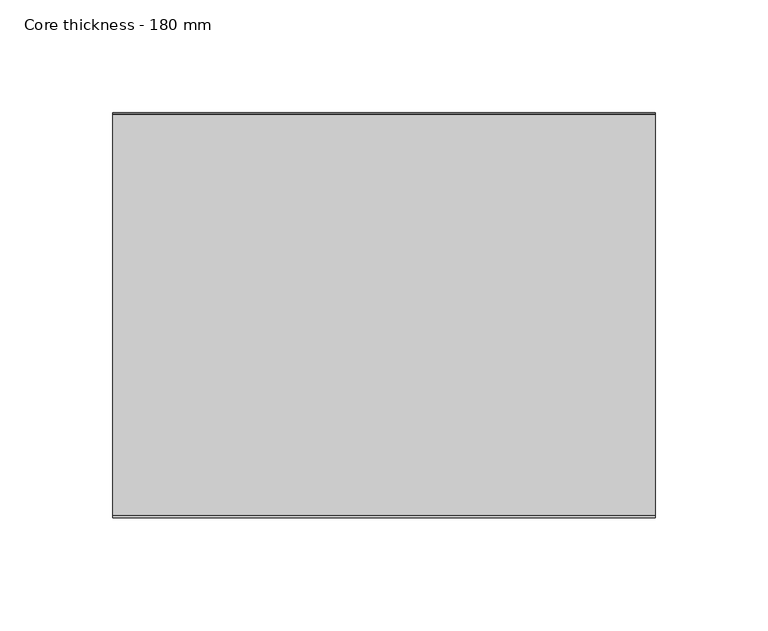
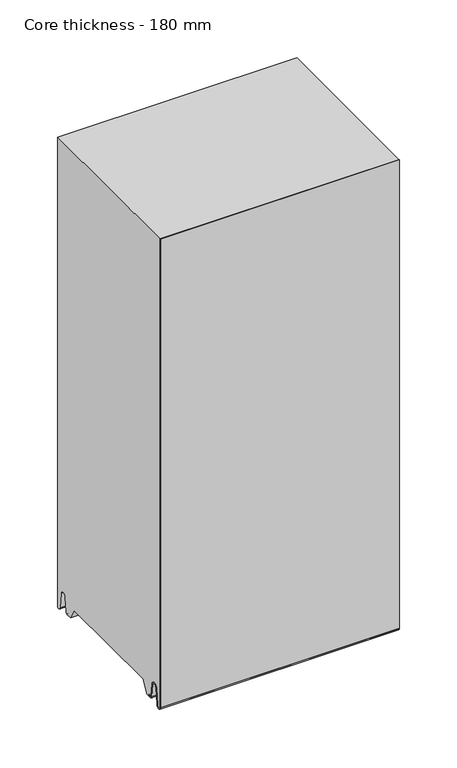
"""IFC4 building model written with IfcOpenShell, lengths in millimetres: plate geometry, Core thickness - 180 mm."""

from ifc_helpers import new_model, si_unit, frame, origin, place, context, project, spatial, polyline, circle_curve, source, transform, mapped, element, save
from ifc_brep_helpers import plane_surface, cylinder_surface, revolved_surface, advanced_brep


def core_thickness_180_mm_cb9e352f(model_context):
    return source(origin(), model_context, "Body", "AdvancedBrep", [
        advanced_brep(
        [(119.9999998, -179.9996949, 3.0900682), (119.9999998, -173.81449, 2.7875612), (119.9999998, -172.197116, 19.2828169), (119.9999998, -169.1776715, 21.9898782), (119.9999998, -166.1582271, 19.2828169), (119.9999998, -164.7725998, 5.1510966), (119.9999998, -160.3830995, 5.365779), (119.9999998, -161.1830995, 5.365779), (119.9999998, -163.9764178, 5.2291629), (119.9999998, -165.3620451, 19.3608832), (119.9999998, -169.1776715, 22.7899182), (119.9999998, -172.9932979, 19.3608832), (119.9999998, -174.6106719, 2.8656275), (119.9999998, -179.1996949, 3.0900682), (119.9999998, -179.2, 500.0), (119.9999998, -179.9996949, 500.0), (-119.9999998, -179.1996949, 3.0900682), (-119.9999998, -174.6106719, 2.8656275), (-119.9999998, -172.9932979, 19.3608832), (-119.9999998, -169.1776715, 22.7899182), (-119.9999998, -165.3620451, 19.3608832), (-119.9999998, -163.9764178, 5.2291629), (-119.9999998, -161.1830995, 5.365779), (-119.9999998, -160.3830995, 5.365779), (-119.9999998, -164.7725998, 5.1510966), (-119.9999998, -166.1582271, 19.2828169), (-119.9999998, -169.1776715, 21.9898782), (-119.9999998, -172.197116, 19.2828169), (-119.9999998, -173.81449, 2.7875612), (-119.9999998, -179.9996949, 3.0900682), (-119.9999998, -179.9996949, 500.0), (-119.9999998, -179.2, 500.0)],
        [
            (0, 1, circle_curve(frame((119.9999998, -176.8996949, 3.0900682), z_axis=(1.0, 0.0, 0.0), x_axis=(0.0, 0.0, -1.0)), 3.1)),
            (1, 2),
            (2, 3, circle_curve(frame((119.9999998, -169.2114338, 18.9900682), z_axis=(-1.0, 0.0, 0.0), x_axis=(0.0, 0.0, -1.0)), 3.0)),
            (3, 4, circle_curve(frame((119.9999998, -169.1439093, 18.9900682), z_axis=(-1.0, 0.0, 0.0), x_axis=(0.0, 0.0, -1.0)), 3.0)),
            (4, 5),
            (5, 6, circle_curve(frame((119.9999998, -162.5830995, 5.365779), z_axis=(1.0, 0.0, 0.0), x_axis=(0.0, 0.0, -1.0)), 2.2)),
            (6, 7),
            (7, 8, circle_curve(frame((119.9999998, -162.5830995, 5.365779), z_axis=(-1.0, 0.0, 0.0), x_axis=(0.0, 0.0, -1.0)), 1.4)),
            (8, 9),
            (9, 10, circle_curve(frame((119.9999998, -169.1439093, 18.9900682), z_axis=(1.0, 0.0, 0.0), x_axis=(0.0, 0.0, -1.0)), 3.8)),
            (10, 11, circle_curve(frame((119.9999998, -169.2114338, 18.9900682), z_axis=(1.0, 0.0, 0.0), x_axis=(0.0, 0.0, -1.0)), 3.8)),
            (11, 12),
            (12, 13, circle_curve(frame((119.9999998, -176.8996949, 3.0900682), z_axis=(-1.0, 0.0, 0.0), x_axis=(0.0, 0.0, -1.0)), 2.3)),
            (13, 14),
            (14, 15),
            (15, 0),
            (16, 17, circle_curve(frame((-119.9999998, -176.8996949, 3.0900682), z_axis=(1.0, 0.0, 0.0), x_axis=(0.0, 0.0, -1.0)), 2.3)),
            (17, 18),
            (18, 19, circle_curve(frame((-119.9999998, -169.2114338, 18.9900682), z_axis=(-1.0, 0.0, 0.0), x_axis=(0.0, 0.0, -1.0)), 3.8)),
            (19, 20, circle_curve(frame((-119.9999998, -169.1439093, 18.9900682), z_axis=(-1.0, 0.0, 0.0), x_axis=(0.0, 0.0, -1.0)), 3.8)),
            (20, 21),
            (21, 22, circle_curve(frame((-119.9999998, -162.5830995, 5.365779), z_axis=(1.0, 0.0, 0.0), x_axis=(0.0, 0.0, -1.0)), 1.4)),
            (22, 23),
            (23, 24, circle_curve(frame((-119.9999998, -162.5830995, 5.365779), z_axis=(-1.0, 0.0, 0.0), x_axis=(0.0, 0.0, -1.0)), 2.2)),
            (24, 25),
            (25, 26, circle_curve(frame((-119.9999998, -169.1439093, 18.9900682), z_axis=(1.0, 0.0, 0.0), x_axis=(0.0, 0.0, -1.0)), 3.0)),
            (26, 27, circle_curve(frame((-119.9999998, -169.2114338, 18.9900682), z_axis=(1.0, 0.0, 0.0), x_axis=(0.0, 0.0, -1.0)), 3.0)),
            (27, 28),
            (28, 29, circle_curve(frame((-119.9999998, -176.8996949, 3.0900682), z_axis=(-1.0, 0.0, 0.0), x_axis=(0.0, 0.0, -1.0)), 3.1)),
            (29, 30),
            (30, 31),
            (31, 16),
            (13, 16),
            (31, 14),
            (12, 17),
            (11, 18),
            (10, 19),
            (9, 20),
            (8, 21),
            (7, 22),
            (6, 23),
            (5, 24),
            (4, 25),
            (3, 26),
            (2, 27),
            (1, 28),
            (0, 29),
            (15, 30),
        ],
        [
            plane_surface(frame((119.9999998, -180.0, 0.0), z_axis=(1.0, 0.0, 0.0), x_axis=(0.0, 1.0, 0.0))),
            plane_surface(frame((-119.9999998, -180.0, 0.0), z_axis=(-1.0, 0.0, 0.0), x_axis=(0.0, 1.0, 0.0))),
            plane_surface(frame((119.9999998, -179.2, 3.0900682), z_axis=(0.0, 1.0, 0.0), x_axis=(-1.0, 0.0, 0.0))),
            revolved_surface(polyline([(-119.9999998, -176.8996949, 0.7900682000000003), (119.9999998, -176.8996949, 0.7900682000000003)]), (119.9999998, -176.8996949, 3.0900682), (-1.0, 0.0, 0.0)),
            plane_surface(frame((119.9999998, -172.9932979, 19.3608832), z_axis=(0.0, -0.9952273999818314, 0.09758289975914787), x_axis=(-1.0, 0.0, 0.0))),
            cylinder_surface(frame((119.9999998, -169.2114338, 18.9900682), z_axis=(1.0, 0.0, 0.0), x_axis=(0.0, 0.0, -1.0)), 3.8),
            cylinder_surface(frame((119.9999998, -169.1439093, 18.9900682), z_axis=(1.0, 0.0, 0.0), x_axis=(0.0, 0.0, -1.0)), 3.8),
            plane_surface(frame((119.9999998, -163.9764178, 5.2291629), z_axis=(0.0, 0.9952273999818297, 0.09758289975916531), x_axis=(-1.0, 0.0, 0.0))),
            revolved_surface(polyline([(-119.9999998, -162.5830995, 3.965779), (119.9999998, -162.5830995, 3.965779)]), (119.9999998, -162.5830995, 5.365779), (-1.0, 0.0, 0.0)),
            plane_surface(frame((119.9999998, -160.3830995, 5.365779), z_axis=(0.0, 0.0, 1.0), x_axis=(-1.0, 0.0, 0.0))),
            cylinder_surface(frame((119.9999998, -162.5830995, 5.365779), z_axis=(1.0, 0.0, 0.0), x_axis=(0.0, 0.0, -1.0)), 2.2),
            plane_surface(frame((119.9999998, -166.1582271, 19.2828169), z_axis=(0.0, -0.9952273999818296, -0.09758289975916527), x_axis=(-1.0, 0.0, 0.0))),
            revolved_surface(polyline([(-119.9999998, -169.1439093, 15.9900682), (119.9999998, -169.1439093, 15.9900682)]), (119.9999998, -169.1439093, 18.9900682), (-1.0, 0.0, 0.0)),
            revolved_surface(polyline([(-119.9999998, -169.2114338, 15.9900682), (119.9999998, -169.2114338, 15.9900682)]), (119.9999998, -169.2114338, 18.9900682), (-1.0, 0.0, 0.0)),
            plane_surface(frame((119.9999998, -173.81449, 2.7875612), z_axis=(0.0, 0.9952273999818314, -0.09758289975914787), x_axis=(-1.0, 0.0, 0.0))),
            cylinder_surface(frame((119.9999998, -176.8996949, 3.0900682), z_axis=(1.0, 0.0, 0.0), x_axis=(0.0, 0.0, -1.0)), 3.1),
            plane_surface(frame((119.9999998, -179.9996949, 993.9000005), z_axis=(0.0, -1.0, 0.0), x_axis=(-1.0, 0.0, 0.0))),
            plane_surface(frame((-119.9999998, 134.0533409, 500.0), z_axis=(0.0, 0.0, 1.0), x_axis=(1.0, 0.0, 0.0))),
        ],
        [
            (0, [[1, 2, 3, 4, 5, 6, 7, 8, 9, 10, 11, 12, 13, 14, 15, 16]]),
            (1, [[17, 18, 19, 20, 21, 22, 23, 24, 25, 26, 27, 28, 29, 30, 31, 32]]),
            (2, [[33, -32, 34, -14]]),
            (3, [[-13, 35, -17, -33]]),
            (4, [[-12, 36, -18, -35]]),
            (5, [[-11, 37, -19, -36]]),
            (6, [[-10, 38, -20, -37]]),
            (7, [[-9, 39, -21, -38]]),
            (8, [[-8, 40, -22, -39]]),
            (9, [[-7, 41, -23, -40]]),
            (10, [[-6, 42, -24, -41]]),
            (11, [[-5, 43, -25, -42]]),
            (12, [[-4, 44, -26, -43]]),
            (13, [[-3, 45, -27, -44]]),
            (14, [[-2, 46, -28, -45]]),
            (15, [[-1, 47, -29, -46]]),
            (16, [[-47, -16, 48, -30]]),
            (17, [[-15, -34, -31, -48]]),
        ],
    ),
        advanced_brep(
        [(119.9999998, -149.873448, 15.1417681), (119.9999998, -30.126552, 15.1417681), (119.9999998, -23.4071318, 3.165779), (119.9999998, -17.4169005, 3.165779), (119.9999998, -19.6169005, 5.365779), (119.9999998, -18.8169005, 5.365779), (119.9999998, -16.0235822, 5.2291629), (119.9999998, -14.6379549, 19.3608832), (119.9999998, -10.8223285, 22.7899182), (119.9999998, -7.0067021, 19.3608832), (119.9999998, -5.3893281, 2.8656275), (119.9999998, -0.8003051, 3.0900682), (119.9999998, -0.8, 49.9459237), (119.9999998, -1.0986697, 50.9973395), (119.9999998, -1.5003051, 52.4177205), (119.9999998, -1.5003051, 102.5775037), (119.9999998, -1.0971009, 103.9969151), (119.9999998, -0.8, 105.0493005), (119.9999998, -0.8, 155.2090837), (119.9999998, -1.0986697, 156.2604995), (119.9999998, -1.5003051, 157.6808805), (119.9999998, -1.5003051, 207.8406637), (119.9999998, -1.0971009, 209.2600751), (119.9999998, -0.8, 210.3124605), (119.9999998, -0.8, 260.4722437), (119.9999998, -1.0986697, 261.5236595), (119.9999998, -1.5003051, 262.9440405), (119.9999998, -1.5003051, 313.1038237), (119.9999998, -1.0971009, 314.5232351), (119.9999998, -0.8, 315.5756205), (119.9999998, -0.8, 365.7354037), (119.9999998, -1.0986697, 366.7868195), (119.9999998, -1.5003051, 368.2072005), (119.9999998, -1.5003051, 418.3669837), (119.9999998, -1.0971009, 419.7863951), (119.9999998, -0.8, 420.8387805), (119.9999998, -0.8, 470.9985637), (119.9999998, -1.0986697, 472.0499795), (119.9999998, -1.5003051, 473.4703605), (119.9999998, -1.5003051, 500.0), (119.9999998, -179.2, 500.0), (119.9999998, -179.2, 3.0900682), (119.9999998, -174.6106719, 2.8656275), (119.9999998, -172.9932979, 19.3608832), (119.9999998, -169.1776715, 22.7899182), (119.9999998, -165.3620451, 19.3608832), (119.9999998, -163.9764178, 5.2291629), (119.9999998, -161.1830995, 5.365779), (119.9999998, -160.3830995, 5.365779), (119.9999998, -162.5830995, 3.165779), (119.9999998, -156.5928682, 3.165779), (-119.9999998, -30.126552, 15.1417681), (-119.9999998, -149.873448, 15.1417681), (-119.9999998, -156.5928682, 3.165779), (-119.9999998, -162.5830995, 3.165779), (-119.9999998, -160.3830995, 5.365779), (-119.9999998, -161.1830995, 5.365779), (-119.9999998, -163.9764178, 5.2291629), (-119.9999998, -165.3620451, 19.3608832), (-119.9999998, -169.1776715, 22.7899182), (-119.9999998, -172.9932979, 19.3608832), (-119.9999998, -174.6106719, 2.8656275), (-119.9999998, -179.1996949, 3.0900682), (-119.9999998, -179.2, 500.0), (-119.9999998, -1.5003051, 500.0), (-119.9999998, -1.5003051, 473.4703605), (-119.9999998, -1.0971009, 472.0509491), (-119.9999998, -0.8, 470.9985637), (-119.9999998, -0.8, 420.8387805), (-119.9999998, -1.0986697, 419.7873646), (-119.9999998, -1.5003051, 418.3669837), (-119.9999998, -1.5003051, 368.2072005), (-119.9999998, -1.0971009, 366.7877891), (-119.9999998, -0.8, 365.7354037), (-119.9999998, -0.8, 315.5756205), (-119.9999998, -1.0986697, 314.5242046), (-119.9999998, -1.5003051, 313.1038237), (-119.9999998, -1.5003051, 262.9440405), (-119.9999998, -1.0971009, 261.5246291), (-119.9999998, -0.8, 260.4722437), (-119.9999998, -0.8, 210.3124605), (-119.9999998, -1.0986697, 209.2610446), (-119.9999998, -1.5003051, 207.8406637), (-119.9999998, -1.5003051, 157.6808805), (-119.9999998, -1.0971009, 156.2614691), (-119.9999998, -0.8, 155.2090837), (-119.9999998, -0.8, 105.0493005), (-119.9999998, -1.0986697, 103.9978846), (-119.9999998, -1.5003051, 102.5775037), (-119.9999998, -1.5003051, 52.4177205), (-119.9999998, -1.0971009, 50.9983091), (-119.9999998, -0.8, 49.9459237), (-119.9999998, -0.8, 3.0900682), (-119.9999998, -5.3893281, 2.8656275), (-119.9999998, -7.0067021, 19.3608832), (-119.9999998, -10.8223285, 22.7899182), (-119.9999998, -14.6379549, 19.3608832), (-119.9999998, -16.0235822, 5.2291629), (-119.9999998, -18.8169005, 5.365779), (-119.9999998, -19.6169005, 5.365779), (-119.9999998, -17.4169005, 3.165779), (-119.9999998, -23.4071318, 3.165779)],
        [
            (0, 1),
            (1, 2),
            (2, 3),
            (3, 4, circle_curve(frame((119.9999998, -17.4169005, 5.365779), z_axis=(-1.0, 0.0, 0.0), x_axis=(0.0, 0.0, -1.0)), 2.2)),
            (4, 5),
            (5, 6, circle_curve(frame((119.9999998, -17.4169005, 5.365779), z_axis=(1.0, 0.0, 0.0), x_axis=(0.0, 0.0, -1.0)), 1.4)),
            (6, 7),
            (7, 8, circle_curve(frame((119.9999998, -10.8560907, 18.9900682), z_axis=(-1.0, 0.0, 0.0), x_axis=(0.0, 0.0, -1.0)), 3.8)),
            (8, 9, circle_curve(frame((119.9999998, -10.7885662, 18.9900682), z_axis=(-1.0, 0.0, 0.0), x_axis=(0.0, 0.0, -1.0)), 3.8)),
            (9, 10),
            (10, 11, circle_curve(frame((119.9999998, -3.1003051, 3.0900682), z_axis=(1.0, 0.0, 0.0), x_axis=(0.0, 0.0, -1.0)), 2.3)),
            (11, 12),
            (12, 13, circle_curve(frame((119.9999998, -2.8, 49.9459237), z_axis=(1.0, 0.0, 0.0), x_axis=(0.0, 0.0, -1.0)), 2.0)),
            (13, 14, circle_curve(frame((119.9999998, 1.1996949, 52.4177205), z_axis=(-1.0, 0.0, 0.0), x_axis=(0.0, 0.0, -1.0)), 2.7)),
            (14, 15),
            (15, 16, circle_curve(frame((119.9999998, 1.1996949, 102.5775037), z_axis=(-1.0, 0.0, 0.0), x_axis=(0.0, 0.0, -1.0)), 2.7)),
            (16, 17, circle_curve(frame((119.9999998, -2.8, 105.0493005), z_axis=(1.0, 0.0, 0.0), x_axis=(0.0, 0.0, -1.0)), 2.0)),
            (17, 18),
            (18, 19, circle_curve(frame((119.9999998, -2.8, 155.2090837), z_axis=(1.0, 0.0, 0.0), x_axis=(0.0, 0.0, -1.0)), 2.0)),
            (19, 20, circle_curve(frame((119.9999998, 1.1996949, 157.6808805), z_axis=(-1.0, 0.0, 0.0), x_axis=(0.0, 0.0, -1.0)), 2.7)),
            (20, 21),
            (21, 22, circle_curve(frame((119.9999998, 1.1996949, 207.8406637), z_axis=(-1.0, 0.0, 0.0), x_axis=(0.0, 0.0, -1.0)), 2.7)),
            (22, 23, circle_curve(frame((119.9999998, -2.8, 210.3124605), z_axis=(1.0, 0.0, 0.0), x_axis=(0.0, 0.0, -1.0)), 2.0)),
            (23, 24),
            (24, 25, circle_curve(frame((119.9999998, -2.8, 260.4722437), z_axis=(1.0, 0.0, 0.0), x_axis=(0.0, 0.0, -1.0)), 2.0)),
            (25, 26, circle_curve(frame((119.9999998, 1.1996949, 262.9440405), z_axis=(-1.0, 0.0, 0.0), x_axis=(0.0, 0.0, -1.0)), 2.7)),
            (26, 27),
            (27, 28, circle_curve(frame((119.9999998, 1.1996949, 313.1038237), z_axis=(-1.0, 0.0, 0.0), x_axis=(0.0, 0.0, -1.0)), 2.7)),
            (28, 29, circle_curve(frame((119.9999998, -2.8, 315.5756205), z_axis=(1.0, 0.0, 0.0), x_axis=(0.0, 0.0, -1.0)), 2.0)),
            (29, 30),
            (30, 31, circle_curve(frame((119.9999998, -2.8, 365.7354037), z_axis=(1.0, 0.0, 0.0), x_axis=(0.0, 0.0, -1.0)), 2.0)),
            (31, 32, circle_curve(frame((119.9999998, 1.1996949, 368.2072005), z_axis=(-1.0, 0.0, 0.0), x_axis=(0.0, 0.0, -1.0)), 2.7)),
            (32, 33),
            (33, 34, circle_curve(frame((119.9999998, 1.1996949, 418.3669837), z_axis=(-1.0, 0.0, 0.0), x_axis=(0.0, 0.0, -1.0)), 2.7)),
            (34, 35, circle_curve(frame((119.9999998, -2.8, 420.8387805), z_axis=(1.0, 0.0, 0.0), x_axis=(0.0, 0.0, -1.0)), 2.0)),
            (35, 36),
            (36, 37, circle_curve(frame((119.9999998, -2.8, 470.9985637), z_axis=(1.0, 0.0, 0.0), x_axis=(0.0, 0.0, -1.0)), 2.0)),
            (37, 38, circle_curve(frame((119.9999998, 1.1996949, 473.4703605), z_axis=(-1.0, 0.0, 0.0), x_axis=(0.0, 0.0, -1.0)), 2.7)),
            (38, 39),
            (39, 40),
            (40, 41),
            (41, 42, circle_curve(frame((119.9999998, -176.8996949, 3.0900682), z_axis=(1.0, 0.0, 0.0), x_axis=(0.0, 0.0, -1.0)), 2.3)),
            (42, 43),
            (43, 44, circle_curve(frame((119.9999998, -169.2114338, 18.9900682), z_axis=(-1.0, 0.0, 0.0), x_axis=(0.0, 0.0, -1.0)), 3.8)),
            (44, 45, circle_curve(frame((119.9999998, -169.1439093, 18.9900682), z_axis=(-1.0, 0.0, 0.0), x_axis=(0.0, 0.0, -1.0)), 3.8)),
            (45, 46),
            (46, 47, circle_curve(frame((119.9999998, -162.5830995, 5.365779), z_axis=(1.0, 0.0, 0.0), x_axis=(0.0, 0.0, -1.0)), 1.4)),
            (47, 48),
            (48, 49, circle_curve(frame((119.9999998, -162.5830995, 5.365779), z_axis=(-1.0, 0.0, 0.0), x_axis=(0.0, 0.0, -1.0)), 2.2)),
            (49, 50),
            (50, 0),
            (51, 52),
            (52, 53),
            (53, 54),
            (54, 55, circle_curve(frame((-119.9999998, -162.5830995, 5.365779), z_axis=(1.0, 0.0, 0.0), x_axis=(0.0, 0.0, -1.0)), 2.2)),
            (55, 56),
            (56, 57, circle_curve(frame((-119.9999998, -162.5830995, 5.365779), z_axis=(-1.0, 0.0, 0.0), x_axis=(0.0, 0.0, -1.0)), 1.4)),
            (57, 58),
            (58, 59, circle_curve(frame((-119.9999998, -169.1439093, 18.9900682), z_axis=(1.0, 0.0, 0.0), x_axis=(0.0, 0.0, -1.0)), 3.8)),
            (59, 60, circle_curve(frame((-119.9999998, -169.2114338, 18.9900682), z_axis=(1.0, 0.0, 0.0), x_axis=(0.0, 0.0, -1.0)), 3.8)),
            (60, 61),
            (61, 62, circle_curve(frame((-119.9999998, -176.8996949, 3.0900682), z_axis=(-1.0, 0.0, 0.0), x_axis=(0.0, 0.0, -1.0)), 2.3)),
            (62, 63),
            (63, 64),
            (64, 65),
            (65, 66, circle_curve(frame((-119.9999998, 1.1996949, 473.4703605), z_axis=(1.0, 0.0, 0.0), x_axis=(0.0, 0.0, -1.0)), 2.7)),
            (66, 67, circle_curve(frame((-119.9999998, -2.8, 470.9985637), z_axis=(-1.0, 0.0, 0.0), x_axis=(0.0, 0.0, -1.0)), 2.0)),
            (67, 68),
            (68, 69, circle_curve(frame((-119.9999998, -2.8, 420.8387805), z_axis=(-1.0, 0.0, 0.0), x_axis=(0.0, 0.0, -1.0)), 2.0)),
            (69, 70, circle_curve(frame((-119.9999998, 1.1996949, 418.3669837), z_axis=(1.0, 0.0, 0.0), x_axis=(0.0, 0.0, -1.0)), 2.7)),
            (70, 71),
            (71, 72, circle_curve(frame((-119.9999998, 1.1996949, 368.2072005), z_axis=(1.0, 0.0, 0.0), x_axis=(0.0, 0.0, -1.0)), 2.7)),
            (72, 73, circle_curve(frame((-119.9999998, -2.8, 365.7354037), z_axis=(-1.0, 0.0, 0.0), x_axis=(0.0, 0.0, -1.0)), 2.0)),
            (73, 74),
            (74, 75, circle_curve(frame((-119.9999998, -2.8, 315.5756205), z_axis=(-1.0, 0.0, 0.0), x_axis=(0.0, 0.0, -1.0)), 2.0)),
            (75, 76, circle_curve(frame((-119.9999998, 1.1996949, 313.1038237), z_axis=(1.0, 0.0, 0.0), x_axis=(0.0, 0.0, -1.0)), 2.7)),
            (76, 77),
            (77, 78, circle_curve(frame((-119.9999998, 1.1996949, 262.9440405), z_axis=(1.0, 0.0, 0.0), x_axis=(0.0, 0.0, -1.0)), 2.7)),
            (78, 79, circle_curve(frame((-119.9999998, -2.8, 260.4722437), z_axis=(-1.0, 0.0, 0.0), x_axis=(0.0, 0.0, -1.0)), 2.0)),
            (79, 80),
            (80, 81, circle_curve(frame((-119.9999998, -2.8, 210.3124605), z_axis=(-1.0, 0.0, 0.0), x_axis=(0.0, 0.0, -1.0)), 2.0)),
            (81, 82, circle_curve(frame((-119.9999998, 1.1996949, 207.8406637), z_axis=(1.0, 0.0, 0.0), x_axis=(0.0, 0.0, -1.0)), 2.7)),
            (82, 83),
            (83, 84, circle_curve(frame((-119.9999998, 1.1996949, 157.6808805), z_axis=(1.0, 0.0, 0.0), x_axis=(0.0, 0.0, -1.0)), 2.7)),
            (84, 85, circle_curve(frame((-119.9999998, -2.8, 155.2090837), z_axis=(-1.0, 0.0, 0.0), x_axis=(0.0, 0.0, -1.0)), 2.0)),
            (85, 86),
            (86, 87, circle_curve(frame((-119.9999998, -2.8, 105.0493005), z_axis=(-1.0, 0.0, 0.0), x_axis=(0.0, 0.0, -1.0)), 2.0)),
            (87, 88, circle_curve(frame((-119.9999998, 1.1996949, 102.5775037), z_axis=(1.0, 0.0, 0.0), x_axis=(0.0, 0.0, -1.0)), 2.7)),
            (88, 89),
            (89, 90, circle_curve(frame((-119.9999998, 1.1996949, 52.4177205), z_axis=(1.0, 0.0, 0.0), x_axis=(0.0, 0.0, -1.0)), 2.7)),
            (90, 91, circle_curve(frame((-119.9999998, -2.8, 49.9459237), z_axis=(-1.0, 0.0, 0.0), x_axis=(0.0, 0.0, -1.0)), 2.0)),
            (91, 92),
            (92, 93, circle_curve(frame((-119.9999998, -3.1003051, 3.0900682), z_axis=(-1.0, 0.0, 0.0), x_axis=(0.0, 0.0, -1.0)), 2.3)),
            (93, 94),
            (94, 95, circle_curve(frame((-119.9999998, -10.7885662, 18.9900682), z_axis=(1.0, 0.0, 0.0), x_axis=(0.0, 0.0, -1.0)), 3.8)),
            (95, 96, circle_curve(frame((-119.9999998, -10.8560907, 18.9900682), z_axis=(1.0, 0.0, 0.0), x_axis=(0.0, 0.0, -1.0)), 3.8)),
            (96, 97),
            (97, 98, circle_curve(frame((-119.9999998, -17.4169005, 5.365779), z_axis=(-1.0, 0.0, 0.0), x_axis=(0.0, 0.0, -1.0)), 1.4)),
            (98, 99),
            (99, 100, circle_curve(frame((-119.9999998, -17.4169005, 5.365779), z_axis=(1.0, 0.0, 0.0), x_axis=(0.0, 0.0, -1.0)), 2.2)),
            (100, 101),
            (101, 51),
            (1, 51),
            (101, 2),
            (0, 52),
            (50, 53),
            (99, 4),
            (3, 100),
            (98, 5),
            (97, 6),
            (96, 7),
            (95, 8),
            (94, 9),
            (93, 10),
            (92, 11),
            (91, 12),
            (90, 13),
            (89, 14),
            (88, 15),
            (87, 16),
            (86, 17),
            (85, 18),
            (84, 19),
            (83, 20),
            (82, 21),
            (81, 22),
            (80, 23),
            (79, 24),
            (78, 25),
            (77, 26),
            (76, 27),
            (75, 28),
            (74, 29),
            (73, 30),
            (72, 31),
            (71, 32),
            (70, 33),
            (69, 34),
            (68, 35),
            (67, 36),
            (66, 37),
            (65, 38),
            (64, 39),
            (62, 41),
            (40, 63),
            (61, 42),
            (60, 43),
            (59, 44),
            (58, 45),
            (57, 46),
            (56, 47),
            (55, 48),
            (54, 49),
        ],
        [
            plane_surface(frame((119.9999998, 0.0, 0.0), z_axis=(1.0, 0.0, 0.0), x_axis=(0.0, -1.0, 0.0))),
            plane_surface(frame((-119.9999998, 0.0, 0.0), z_axis=(-1.0, 0.0, 0.0), x_axis=(0.0, -1.0, 0.0))),
            plane_surface(frame((119.9999998, -30.126552, 15.1417681), z_axis=(0.0, -0.8721062992196836, -0.4893164649399687), x_axis=(-1.0, 0.0, 0.0))),
            plane_surface(frame((119.9999998, -149.873448, 15.1417681), z_axis=(0.0, 0.0, -1.0), x_axis=(-1.0, 0.0, 0.0))),
            plane_surface(frame((119.9999998, -156.8190247, 2.7627014), z_axis=(0.0, 0.8721062992196862, -0.4893164649399642), x_axis=(-1.0, 0.0, 0.0))),
            revolved_surface(polyline([(119.99999980000001, -17.4169005, 3.1657789999999997), (-119.99999980000001, -17.4169005, 3.1657789999999997)]), (249.9999998, -17.4169005, 5.365779), (1.0, 0.0, 0.0)),
            plane_surface(frame((249.9999998, -18.8169005, 5.365779), z_axis=(0.0, 0.0, -1.0), x_axis=(-1.0, 0.0, 0.0))),
            cylinder_surface(frame((249.9999998, -17.4169005, 5.365779), z_axis=(-1.0, 0.0, 0.0), x_axis=(0.0, 0.0, -1.0)), 1.4),
            plane_surface(frame((249.9999998, -14.6379549, 19.3608832), z_axis=(0.0, 0.9952273999818297, -0.09758289975916531), x_axis=(-1.0, 0.0, 0.0))),
            revolved_surface(polyline([(119.99999980000001, -10.8560907, 15.190068199999999), (-119.99999980000001, -10.8560907, 15.190068199999999)]), (249.9999998, -10.8560907, 18.9900682), (1.0, 0.0, 0.0)),
            revolved_surface(polyline([(119.99999980000001, -10.7885662, 15.190068199999999), (-119.99999980000001, -10.7885662, 15.190068199999999)]), (249.9999998, -10.7885662, 18.9900682), (1.0, 0.0, 0.0)),
            plane_surface(frame((249.9999998, -5.3893281, 2.8656275), z_axis=(0.0, -0.9952273999818314, -0.09758289975914787), x_axis=(-1.0, 0.0, 0.0))),
            cylinder_surface(frame((249.9999998, -3.1003051, 3.0900682), z_axis=(-1.0, 0.0, 0.0), x_axis=(0.0, 0.0, -1.0)), 2.3),
            plane_surface(frame((249.9999998, -0.8, 49.9459237), z_axis=(0.0, 1.0, 0.0), x_axis=(-1.0, 0.0, 0.0))),
            cylinder_surface(frame((249.9999998, -2.8, 49.9459237), z_axis=(-1.0, 0.0, 0.0), x_axis=(0.0, 0.0, -1.0)), 2.0),
            revolved_surface(polyline([(119.99999980000001, 1.1996949, 49.7177205), (-119.99999980000001, 1.1996949, 49.7177205)]), (249.9999998, 1.1996949, 52.4177205), (1.0, 0.0, 0.0)),
            plane_surface(frame((249.9999998, -1.5003051, 102.5775037), z_axis=(0.0, 1.0, 0.0), x_axis=(-1.0, 0.0, 0.0))),
            revolved_surface(polyline([(119.99999980000001, 1.1996949, 99.87750369999999), (-119.99999980000001, 1.1996949, 99.87750369999999)]), (249.9999998, 1.1996949, 102.5775037), (1.0, 0.0, 0.0)),
            cylinder_surface(frame((249.9999998, -2.8, 105.0493005), z_axis=(-1.0, 0.0, 0.0), x_axis=(0.0, 0.0, -1.0)), 2.0),
            plane_surface(frame((249.9999998, -0.8, 155.2090837), z_axis=(0.0, 1.0, 0.0), x_axis=(-1.0, 0.0, 0.0))),
            cylinder_surface(frame((249.9999998, -2.8, 155.2090837), z_axis=(-1.0, 0.0, 0.0), x_axis=(0.0, 0.0, -1.0)), 2.0),
            revolved_surface(polyline([(119.99999980000001, 1.1996949, 154.9808805), (-119.99999980000001, 1.1996949, 154.9808805)]), (249.9999998, 1.1996949, 157.6808805), (1.0, 0.0, 0.0)),
            plane_surface(frame((249.9999998, -1.5003051, 207.8406637), z_axis=(0.0, 1.0, 0.0), x_axis=(-1.0, 0.0, 0.0))),
            revolved_surface(polyline([(119.99999980000001, 1.1996949, 205.1406637), (-119.99999980000001, 1.1996949, 205.1406637)]), (249.9999998, 1.1996949, 207.8406637), (1.0, 0.0, 0.0)),
            cylinder_surface(frame((249.9999998, -2.8, 210.3124605), z_axis=(-1.0, 0.0, 0.0), x_axis=(0.0, 0.0, -1.0)), 2.0),
            plane_surface(frame((249.9999998, -0.8, 260.4722437), z_axis=(0.0, 1.0, 0.0), x_axis=(-1.0, 0.0, 0.0))),
            cylinder_surface(frame((249.9999998, -2.8, 260.4722437), z_axis=(-1.0, 0.0, 0.0), x_axis=(0.0, 0.0, -1.0)), 2.0),
            revolved_surface(polyline([(119.99999980000001, 1.1996949, 260.24404050000004), (-119.99999980000001, 1.1996949, 260.24404050000004)]), (249.9999998, 1.1996949, 262.9440405), (1.0, 0.0, 0.0)),
            plane_surface(frame((249.9999998, -1.5003051, 313.1038237), z_axis=(0.0, 1.0, 0.0), x_axis=(-1.0, 0.0, 0.0))),
            revolved_surface(polyline([(119.99999980000001, 1.1996949, 310.40382370000003), (-119.99999980000001, 1.1996949, 310.40382370000003)]), (249.9999998, 1.1996949, 313.1038237), (1.0, 0.0, 0.0)),
            cylinder_surface(frame((249.9999998, -2.8, 315.5756205), z_axis=(-1.0, 0.0, 0.0), x_axis=(0.0, 0.0, -1.0)), 2.0),
            plane_surface(frame((249.9999998, -0.8, 365.7354037), z_axis=(0.0, 1.0, 0.0), x_axis=(-1.0, 0.0, 0.0))),
            cylinder_surface(frame((249.9999998, -2.8, 365.7354037), z_axis=(-1.0, 0.0, 0.0), x_axis=(0.0, 0.0, -1.0)), 2.0),
            revolved_surface(polyline([(119.99999980000001, 1.1996949, 365.5072005), (-119.99999980000001, 1.1996949, 365.5072005)]), (249.9999998, 1.1996949, 368.2072005), (1.0, 0.0, 0.0)),
            plane_surface(frame((249.9999998, -1.5003051, 418.3669837), z_axis=(0.0, 1.0, 0.0), x_axis=(-1.0, 0.0, 0.0))),
            revolved_surface(polyline([(119.99999980000001, 1.1996949, 415.6669837), (-119.99999980000001, 1.1996949, 415.6669837)]), (249.9999998, 1.1996949, 418.3669837), (1.0, 0.0, 0.0)),
            cylinder_surface(frame((249.9999998, -2.8, 420.8387805), z_axis=(-1.0, 0.0, 0.0), x_axis=(0.0, 0.0, -1.0)), 2.0),
            plane_surface(frame((249.9999998, -0.8, 470.9985637), z_axis=(0.0, 1.0, 0.0), x_axis=(-1.0, 0.0, 0.0))),
            cylinder_surface(frame((249.9999998, -2.8, 470.9985637), z_axis=(-1.0, 0.0, 0.0), x_axis=(0.0, 0.0, -1.0)), 2.0),
            revolved_surface(polyline([(119.99999980000001, 1.1996949, 470.77036050000004), (-119.99999980000001, 1.1996949, 470.77036050000004)]), (249.9999998, 1.1996949, 473.4703605), (1.0, 0.0, 0.0)),
            plane_surface(frame((249.9999998, -1.5003051, 523.6301437), z_axis=(0.0, 1.0, 0.0), x_axis=(-1.0, 0.0, 0.0))),
            plane_surface(frame((249.9999998, -179.2, 3.0900682), z_axis=(0.0, -1.0, 0.0), x_axis=(-1.0, 0.0, 0.0))),
            cylinder_surface(frame((249.9999998, -176.8996949, 3.0900682), z_axis=(-1.0, 0.0, 0.0), x_axis=(0.0, 0.0, -1.0)), 2.3),
            plane_surface(frame((249.9999998, -172.9932979, 19.3608832), z_axis=(0.0, 0.9952273999818314, -0.09758289975914787), x_axis=(-1.0, 0.0, 0.0))),
            revolved_surface(polyline([(119.99999980000001, -169.2114338, 15.190068199999999), (-119.99999980000001, -169.2114338, 15.190068199999999)]), (249.9999998, -169.2114338, 18.9900682), (1.0, 0.0, 0.0)),
            revolved_surface(polyline([(119.99999980000001, -169.1439093, 15.190068199999999), (-119.99999980000001, -169.1439093, 15.190068199999999)]), (249.9999998, -169.1439093, 18.9900682), (1.0, 0.0, 0.0)),
            plane_surface(frame((249.9999998, -163.9764178, 5.2291629), z_axis=(0.0, -0.9952273999818297, -0.09758289975916531), x_axis=(-1.0, 0.0, 0.0))),
            cylinder_surface(frame((249.9999998, -162.5830995, 5.365779), z_axis=(-1.0, 0.0, 0.0), x_axis=(0.0, 0.0, -1.0)), 1.4),
            plane_surface(frame((249.9999998, -160.3830995, 5.365779), z_axis=(0.0, 0.0, -1.0), x_axis=(-1.0, 0.0, 0.0))),
            revolved_surface(polyline([(119.99999980000001, -162.5830995, 3.1657789999999997), (-119.99999980000001, -162.5830995, 3.1657789999999997)]), (249.9999998, -162.5830995, 5.365779), (1.0, 0.0, 0.0)),
            plane_surface(frame((-119.9999998, -162.5830995, 3.165779), z_axis=(0.0, 0.0, -1.0), x_axis=(1.0, 0.0, 0.0))),
            plane_surface(frame((-119.9999998, 134.0533409, 500.0), z_axis=(0.0, 0.0, 1.0), x_axis=(1.0, 0.0, 0.0))),
        ],
        [
            (0, [[1, 2, 3, 4, 5, 6, 7, 8, 9, 10, 11, 12, 13, 14, 15, 16, 17, 18, 19, 20, 21, 22, 23, 24, 25, 26, 27, 28, 29, 30, 31, 32, 33, 34, 35, 36, 37, 38, 39, 40, 41, 42, 43, 44, 45, 46, 47, 48, 49, 50, 51]]),
            (1, [[52, 53, 54, 55, 56, 57, 58, 59, 60, 61, 62, 63, 64, 65, 66, 67, 68, 69, 70, 71, 72, 73, 74, 75, 76, 77, 78, 79, 80, 81, 82, 83, 84, 85, 86, 87, 88, 89, 90, 91, 92, 93, 94, 95, 96, 97, 98, 99, 100, 101, 102]]),
            (2, [[103, -102, 104, -2]]),
            (3, [[-1, 105, -52, -103]]),
            (4, [[-105, -51, 106, -53]]),
            (5, [[107, -4, 108, -100]]),
            (6, [[-107, -99, 109, -5]]),
            (7, [[-109, -98, 110, -6]]),
            (8, [[-110, -97, 111, -7]]),
            (9, [[-111, -96, 112, -8]]),
            (10, [[-112, -95, 113, -9]]),
            (11, [[-113, -94, 114, -10]]),
            (12, [[-114, -93, 115, -11]]),
            (13, [[-115, -92, 116, -12]]),
            (14, [[-116, -91, 117, -13]]),
            (15, [[-117, -90, 118, -14]]),
            (16, [[-118, -89, 119, -15]]),
            (17, [[-119, -88, 120, -16]]),
            (18, [[-120, -87, 121, -17]]),
            (19, [[-121, -86, 122, -18]]),
            (20, [[-122, -85, 123, -19]]),
            (21, [[-123, -84, 124, -20]]),
            (22, [[-124, -83, 125, -21]]),
            (23, [[-125, -82, 126, -22]]),
            (24, [[-126, -81, 127, -23]]),
            (25, [[-127, -80, 128, -24]]),
            (26, [[-128, -79, 129, -25]]),
            (27, [[-129, -78, 130, -26]]),
            (28, [[-130, -77, 131, -27]]),
            (29, [[-131, -76, 132, -28]]),
            (30, [[-132, -75, 133, -29]]),
            (31, [[-133, -74, 134, -30]]),
            (32, [[-134, -73, 135, -31]]),
            (33, [[-135, -72, 136, -32]]),
            (34, [[-136, -71, 137, -33]]),
            (35, [[-137, -70, 138, -34]]),
            (36, [[-138, -69, 139, -35]]),
            (37, [[-139, -68, 140, -36]]),
            (38, [[-140, -67, 141, -37]]),
            (39, [[-141, -66, 142, -38]]),
            (40, [[-142, -65, 143, -39]]),
            (41, [[144, -41, 145, -63]]),
            (42, [[-144, -62, 146, -42]]),
            (43, [[-146, -61, 147, -43]]),
            (44, [[-147, -60, 148, -44]]),
            (45, [[-148, -59, 149, -45]]),
            (46, [[-149, -58, 150, -46]]),
            (47, [[-150, -57, 151, -47]]),
            (48, [[-151, -56, 152, -48]]),
            (49, [[-152, -55, 153, -49]]),
            (50, [[-3, -104, -101, -108]]),
            (50, [[-50, -153, -54, -106]]),
            (51, [[-143, -64, -145, -40]]),
        ],
    ),
    ])


if __name__ == "__main__":
    model = new_model("IFC4")
    model_context = context("Model", 3, world=origin())
    ifc_project = project(units=[si_unit("LENGTHUNIT", "METRE", prefix="MILLI")], contexts=[model_context])
    site = spatial("IfcSite", under=ifc_project)
    building = spatial("IfcBuilding", under=site)
    placement = place(None, origin())
    core_thickness_180_mm_shape = core_thickness_180_mm_cb9e352f(model_context)
    element("IfcPlate", 1, ObjectType="Core thickness - 180 mm", at=placement, inside=building, context=model_context, shape_type="MappedRepresentation", body=[
        mapped(core_thickness_180_mm_shape, transform((0.0, 0.0, 0.0), x_axis=(1.0, 0.0, 0.0), y_axis=(0.0, 1.0, 0.0), z_axis=(0.0, 0.0, 1.0))),
    ])
    save(model, "model.ifc")
